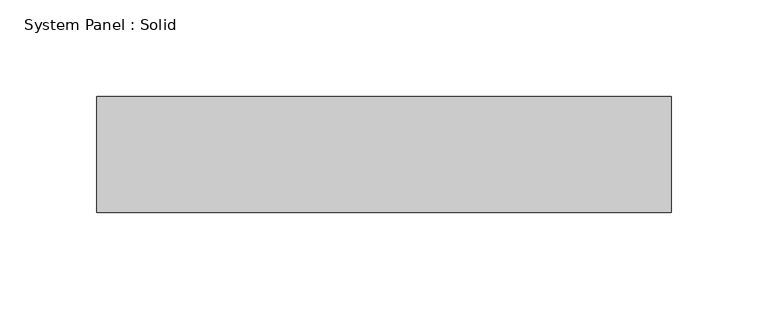
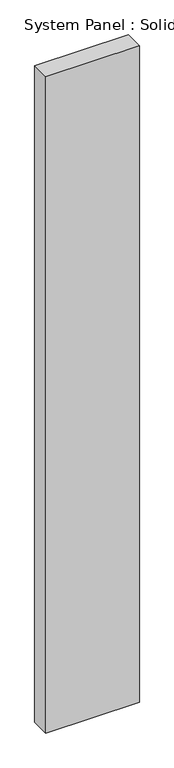
"""IFC4 building model written with IfcOpenShell, lengths in millimetres: plate geometry, System Panel : Solid."""

from ifc_helpers import new_model, si_unit, origin, origin_with_axes, place, context, project, spatial, polyline, outline, extrude, source, transform, mapped, element, save


def system_panel_solid_c890355c(model_context):
    return source(origin(), model_context, "Body", "SweptSolid", [
        extrude(outline(polyline([(148.5714287, -10.5), (-148.5714287, -10.5), (-148.5714287, 49.5), (148.5714287, 49.5), (148.5714287, -10.5)])), origin_with_axes(), (0.0, 0.0, 1.0), 2200.0),
    ])


if __name__ == "__main__":
    model = new_model("IFC4")
    model_context = context("Model", 3, world=origin())
    ifc_project = project(units=[si_unit("LENGTHUNIT", "METRE", prefix="MILLI")], contexts=[model_context])
    site = spatial("IfcSite", under=ifc_project)
    building = spatial("IfcBuilding", under=site)
    placement = place(None, origin())
    system_panel_solid_shape = system_panel_solid_c890355c(model_context)
    element("IfcPlate", 1, ObjectType="System Panel : Solid", at=placement, inside=building, context=model_context, shape_type="MappedRepresentation", body=[
        mapped(system_panel_solid_shape, transform((0.0, 0.0, 0.0), x_axis=(1.0, 0.0, 0.0), y_axis=(0.0, 1.0, 0.0), z_axis=(0.0, 0.0, 1.0))),
    ])
    save(model, "model.ifc")
